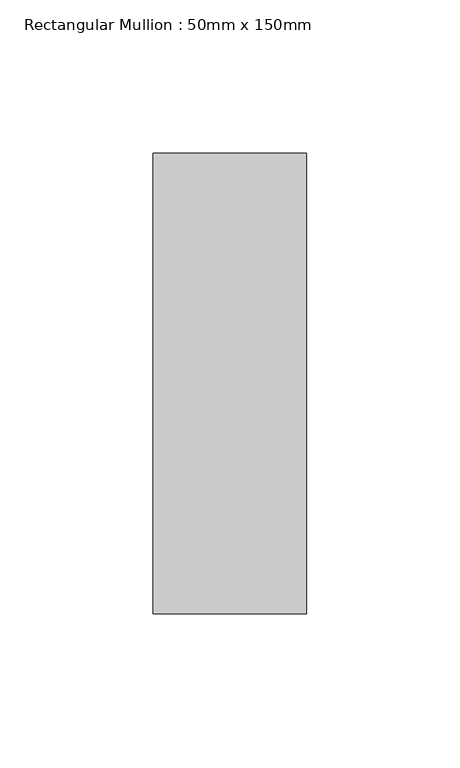
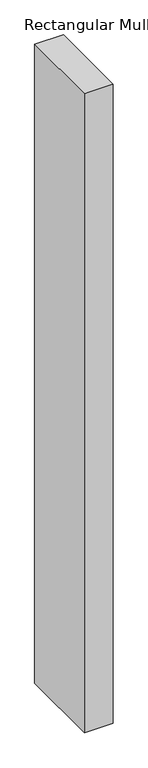
"""IFC4 building model written with IfcOpenShell, lengths in millimetres: member geometry, Rectangular Mullion : 50mm x 150mm."""

from ifc_helpers import new_model, si_unit, frame, origin, place, context, project, spatial, polyline, outline, extrude, source, transform, mapped, element, save


def rectangular_mullion_50mm_x_150mm_e54847f5(model_context):
    return source(origin(), model_context, "Body", "SweptSolid", [
        extrude(outline(polyline([(25.0, 75.0), (25.0, -75.0), (-25.0, -75.0), (-25.0, 75.0), (25.0, 75.0)])), frame((0.0, 0.0, -1175.0), z_axis=(0.0, 0.0, 1.0), x_axis=(1.0, 0.0, 0.0)), (0.0, 0.0, 1.0), 1175.0),
    ])


if __name__ == "__main__":
    model = new_model("IFC4")
    model_context = context("Model", 3, world=origin())
    ifc_project = project(units=[si_unit("LENGTHUNIT", "METRE", prefix="MILLI")], contexts=[model_context])
    site = spatial("IfcSite", under=ifc_project)
    building = spatial("IfcBuilding", under=site)
    placement = place(None, origin())
    rectangular_mullion_50mm_x_150mm_shape = rectangular_mullion_50mm_x_150mm_e54847f5(model_context)
    element("IfcMember", 1, ObjectType="Rectangular Mullion : 50mm x 150mm", at=placement, inside=building, context=model_context, shape_type="MappedRepresentation", body=[
        mapped(rectangular_mullion_50mm_x_150mm_shape, transform((0.0, 0.0, 0.0), x_axis=(1.0, 0.0, 0.0), y_axis=(0.0, 1.0, 0.0), z_axis=(0.0, 0.0, 1.0))),
    ])
    save(model, "model.ifc")
